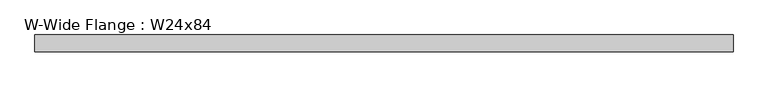
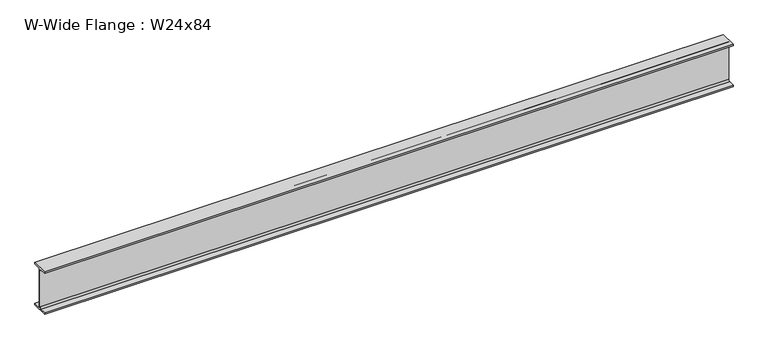
"""IFC4 building model written with IfcOpenShell, lengths in millimetres: beam geometry, W-Wide Flange : W24x84."""

from ifc_helpers import new_model, si_unit, point, frame, frame_2d, origin, place, context, project, spatial, polyline, circle_curve, trimmed, segment, composite_curve, outline, extrude, source, transform, mapped, element, save


def w_wide_flange_w24x84_94070b21(model_context):
    return source(origin(), model_context, "Body", "SweptSolid", [
        extrude(outline(composite_curve([segment(polyline([(114.554, -286.512), (114.554, -306.07), (-114.554, -306.07), (-114.554, -286.512), (-29.2735, -286.512)]), True, "CONTINUOUS"), segment(trimmed(circle_curve(frame_2d((-29.2735, -263.2075)), 23.3045), [point((-29.2735, -286.512))], [point((-5.969, -263.2075))], True, "CARTESIAN"), True, "CONTINUOUS"), segment(polyline([(-5.969, -263.2075), (-5.969, 263.2075)]), True, "CONTINUOUS"), segment(trimmed(circle_curve(frame_2d((-29.2735, 263.2075)), 23.3045), [point((-5.969, 263.2075))], [point((-29.2735, 286.512))], True, "CARTESIAN"), True, "CONTINUOUS"), segment(polyline([(-29.2735, 286.512), (-114.554, 286.512), (-114.554, 306.07), (114.554, 306.07), (114.554, 286.512), (29.2735, 286.512)]), True, "CONTINUOUS"), segment(trimmed(circle_curve(frame_2d((29.2735, 263.2075)), 23.3045), [point((29.2735, 286.512))], [point((5.969, 263.2075))], True, "CARTESIAN"), True, "CONTINUOUS"), segment(polyline([(5.969, 263.2075), (5.969, -263.2075)]), True, "CONTINUOUS"), segment(trimmed(circle_curve(frame_2d((29.2735, -263.2075)), 23.3045), [point((5.969, -263.2075))], [point((29.2735, -286.512))], True, "CARTESIAN"), True, "CONTINUOUS"), segment(polyline([(29.2735, -286.512), (114.554, -286.512)]), True, "CONTINUOUS")], self_intersect=False)), frame((-4734.56, 0.0, 0.0), z_axis=(1.0, 0.0, 0.0), x_axis=(0.0, 1.0, 0.0)), (0.0, 0.0, 1.0), 9469.12),
    ])


if __name__ == "__main__":
    model = new_model("IFC4")
    model_context = context("Model", 3, world=origin())
    ifc_project = project(units=[si_unit("LENGTHUNIT", "METRE", prefix="MILLI")], contexts=[model_context])
    site = spatial("IfcSite", under=ifc_project)
    building = spatial("IfcBuilding", under=site)
    placement = place(None, origin())
    w_wide_flange_w24x84_shape = w_wide_flange_w24x84_94070b21(model_context)
    element("IfcBeam", 1, ObjectType="W-Wide Flange : W24x84", at=placement, inside=building, context=model_context, shape_type="MappedRepresentation", body=[
        mapped(w_wide_flange_w24x84_shape, transform((0.0, 0.0, 0.0), x_axis=(1.0, 0.0, 0.0), y_axis=(0.0, 1.0, 0.0), z_axis=(0.0, 0.0, 1.0))),
    ])
    save(model, "model.ifc")
